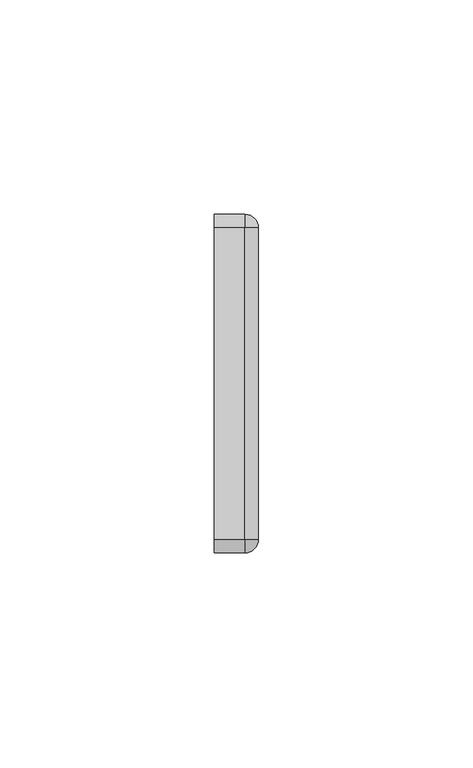
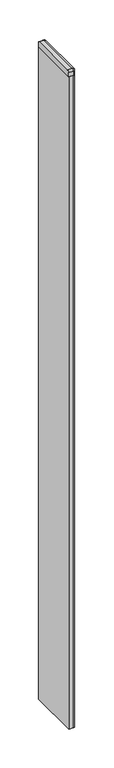
"""IFC4 building model written with IfcOpenShell, lengths in millimetres: furniture geometry."""

from ifc_helpers import new_model, si_unit, point, frame, frame_2d, origin, place, context, project, spatial, polyline, circle_curve, ellipse_curve, trimmed, segment, composite_curve, outline, extrude, source, transform, mapped, element, save
from ifc_brep_helpers import plane_surface, cylinder_surface, revolved_surface, advanced_brep


def furniture_0c85708f(model_context):
    return source(origin(), model_context, "Body", "SolidModel", [
        advanced_brep(
        [(6.1101987, -36.7238842, 1048.8025358), (6.1101987, -36.7238842, 1055.1525115), (2.9351984, -36.7238842, 1058.3037), (2.9351984, -36.7238842, 1048.8025358), (2.9351984, 35.8724944, 1058.3037), (6.1101987, 35.8724944, 1055.1525115), (6.1101987, 35.8724944, 1048.8025358), (2.9351984, 35.8724944, 1048.8025358), (2.9351984, -39.8988812, 1048.8025358), (-4.1768018, -39.8988812, 1048.8025358), (-4.1768018, 39.0474944, 1048.8025358), (2.9351984, 39.0474944, 1048.8025358), (-4.1768018, 35.8724944, 1058.3037), (-4.1768018, -36.7238842, 1058.3037), (-4.1768018, 39.0474944, 1055.1525115), (-4.1768018, -39.8988812, 1055.1525115), (2.9351984, 39.0474944, 1055.1525115), (2.9351984, -39.8988812, 1055.1525115)],
        [
            (0, 1),
            (1, 2, circle_curve(frame((2.958921, -36.7238842, 1055.1525115), z_axis=(0.0, -1.0, 0.0), x_axis=(-1.0, 0.0, 0.0)), 3.1512778)),
            (2, 3),
            (3, 0),
            (4, 5, circle_curve(frame((2.958921, 35.8724944, 1055.1525115), z_axis=(0.0, 1.0, 0.0), x_axis=(-1.0, 0.0, 0.0)), 3.1512778)),
            (5, 6),
            (6, 7),
            (7, 4),
            (6, 0),
            (3, 8),
            (8, 9),
            (9, 10),
            (10, 11),
            (11, 7),
            (5, 1),
            (4, 2),
            (4, 12),
            (12, 13),
            (13, 2),
            (12, 14, circle_curve(frame((-4.1768018, 35.8962166, 1055.1525115), z_axis=(-1.0, 0.0, 0.0), x_axis=(0.0, 1.0, 0.0)), 3.1512778)),
            (14, 10),
            (9, 15),
            (15, 13, circle_curve(frame((-4.1768018, -36.7476035, 1055.1525115), z_axis=(-1.0, 0.0, 0.0), x_axis=(0.0, 1.0, 0.0)), 3.1512777)),
            (11, 16),
            (16, 4, circle_curve(frame((2.9351984, 35.8962166, 1055.1525115), z_axis=(1.0, 0.0, 0.0), x_axis=(0.0, 1.0, 0.0)), 3.1512778)),
            (14, 16),
            (2, 17, circle_curve(frame((2.9351984, -36.7476035, 1055.1525115), z_axis=(1.0, 0.0, 0.0), x_axis=(0.0, 1.0, 0.0)), 3.1512777)),
            (17, 8),
            (17, 15),
        ],
        [
            plane_surface(frame((4.522698, -36.7238842, 1055.1525115), z_axis=(0.0, -1.0, 0.0), x_axis=(0.0, 0.0, 1.0))),
            plane_surface(frame((4.522698, 35.8724944, 1055.1525115), z_axis=(0.0, 1.0, 0.0), x_axis=(0.0, 0.0, 1.0))),
            plane_surface(frame((-4.1768018, -36.7238842, 1048.8025358), z_axis=(0.0, 0.0, -1.0), x_axis=(0.0, 1.0, 0.0))),
            plane_surface(frame((6.1101987, -36.7238842, 1048.8025358), z_axis=(1.0, 0.0, 0.0), x_axis=(0.0, 1.0, 0.0))),
            cylinder_surface(frame((2.958921, -36.7238842, 1055.1525115), z_axis=(0.0, -1.0, 0.0), x_axis=(-1.0, 0.0, 0.0)), 3.1512778),
            plane_surface(frame((2.9351984, -36.7238842, 1058.3037), z_axis=(0.0, 0.0, 1.0), x_axis=(0.0, 1.0, 0.0))),
            plane_surface(frame((-4.1768018, -36.7238842, 1058.3037), z_axis=(-1.0, 0.0, 0.0), x_axis=(0.0, 1.0, 0.0))),
            plane_surface(frame((2.9351984, 37.4599943, 1055.1525115), z_axis=(1.0, 0.0, 0.0), x_axis=(0.0, 0.0, 1.0))),
            plane_surface(frame((-4.1768018, 39.0474944, 1055.1525115), z_axis=(0.0, 1.0, 0.0), x_axis=(1.0, 0.0, 0.0))),
            cylinder_surface(frame((-4.1768018, 35.8962166, 1055.1525115), z_axis=(-1.0, 0.0, 0.0), x_axis=(0.0, 1.0, 0.0)), 3.1512778),
            plane_surface(frame((2.9351984, -38.3113782, 1055.1525115), z_axis=(1.0, 0.0, 0.0), x_axis=(0.0, 0.0, 1.0))),
            plane_surface(frame((-4.1768018, -39.8988812, 1048.8025358), z_axis=(0.0, -1.0, 0.0), x_axis=(1.0, 0.0, 0.0))),
            cylinder_surface(frame((-4.1768018, -36.7476035, 1055.1525115), z_axis=(-1.0, 0.0, 0.0), x_axis=(0.0, 1.0, 0.0)), 3.1512777),
        ],
        [
            (0, [[1, 2, 3, 4]]),
            (1, [[5, 6, 7, 8]]),
            (2, [[9, -4, 10, 11, 12, 13, 14, -7]]),
            (3, [[-1, -9, -6, 15]]),
            (4, [[-2, -15, -5, 16]]),
            (5, [[-16, 17, 18, 19]]),
            (6, [[-18, 20, 21, -12, 22, 23]]),
            (7, [[24, 25, -8, -14]]),
            (8, [[-21, 26, -24, -13]]),
            (9, [[-20, -17, -25, -26]]),
            (10, [[-10, -3, 27, 28]]),
            (11, [[-22, -11, -28, 29]]),
            (12, [[-23, -29, -27, -19]]),
        ],
    ),
        advanced_brep(
        [(2.9351984, 39.0474944, 1055.1525115), (2.9351984, 39.0474944, 1048.8025358), (2.9351984, 35.8724944, 1048.8025358), (2.9351984, 35.8724944, 1058.3037), (6.1101983, 35.8724944, 1055.1525115), (6.1101983, 35.8724944, 1048.8025358)],
        [
            (0, 1),
            (1, 2),
            (2, 3),
            (3, 0, circle_curve(frame((2.9351984, 35.8962166, 1055.1525115), z_axis=(-1.0, 0.0, 0.0), x_axis=(0.0, 1.0, 0.0)), 3.1512778)),
            (4, 3, circle_curve(frame((2.9589206, 35.8724944, 1055.1525115), z_axis=(0.0, -1.0, 0.0), x_axis=(1.0, 0.0, 0.0)), 3.1512778)),
            (2, 5),
            (5, 4),
            (5, 1, circle_curve(frame((2.9351984, 35.8724944, 1048.8025358), z_axis=(0.0, 0.0, 1.0), x_axis=(0.0, 1.0, 0.0)), 3.175)),
            (0, 4, circle_curve(frame((2.9351984, 35.8724944, 1055.1525115), z_axis=(0.0, 0.0, -1.0), x_axis=(0.0, 1.0, 0.0)), 3.175)),
        ],
        [
            plane_surface(frame((2.9351984, 35.8724944, 1055.1525115), z_axis=(-1.0, 0.0, 0.0), x_axis=(0.0, 1.0, 0.0))),
            plane_surface(frame((2.9351984, 35.8724944, 1055.1525115), z_axis=(0.0, -1.0, 0.0), x_axis=(1.0, 0.0, 0.0))),
            cylinder_surface(frame((2.9351984, 35.8724944, 1055.1525115), z_axis=(0.0, 0.0, -1.0), x_axis=(0.0, 1.0, 0.0)), 3.175),
            plane_surface(frame((2.9351984, 35.8724944, 1048.8025358), z_axis=(0.0, 0.0, -1.0), x_axis=(0.0, 1.0, 0.0))),
            revolved_surface(trimmed(ellipse_curve(frame((2.9351984, 35.8962166, 1055.1525115), z_axis=(-1.0, 0.0, 0.0), x_axis=(0.0, 1.0, 0.0)), 3.1512778, 3.1512778), [point((2.9351984, 35.8724944, 1058.3037))], [point((2.9351984, 39.0474944, 1055.1525115))], True, "CARTESIAN"), (2.9351984, 35.8724944, 1055.1525115), (0.0, 0.0, -1.0)),
        ],
        [
            (0, [[1, 2, 3, 4]]),
            (1, [[5, -3, 6, 7]]),
            (2, [[8, -1, 9, -7]]),
            (3, [[-2, -8, -6]]),
            (4, [[-9, -4, -5]]),
        ],
    ),
        advanced_brep(
        [(2.9351984, -39.8988812, 1055.1525115), (2.9351984, -36.7238842, 1058.3037), (2.9351984, -36.7238842, 1048.8025358), (2.9351984, -39.8988812, 1048.8025358), (6.1101953, -36.7238842, 1055.1525115), (6.1101953, -36.7238842, 1048.8025358)],
        [
            (0, 1, circle_curve(frame((2.9351984, -36.7476035, 1055.1525115), z_axis=(-1.0, 0.0, 0.0), x_axis=(0.0, -1.0, 0.0)), 3.1512777)),
            (1, 2),
            (2, 3),
            (3, 0),
            (4, 5),
            (5, 2),
            (1, 4, circle_curve(frame((2.9589176, -36.7238842, 1055.1525115), z_axis=(0.0, 1.0, 0.0), x_axis=(1.0, 0.0, 0.0)), 3.1512777)),
            (4, 0, circle_curve(frame((2.9351984, -36.7238842, 1055.1525115), z_axis=(0.0, 0.0, -1.0), x_axis=(0.0, -1.0, 0.0)), 3.174997)),
            (3, 5, circle_curve(frame((2.9351984, -36.7238842, 1048.8025358), z_axis=(0.0, 0.0, 1.0), x_axis=(0.0, -1.0, 0.0)), 3.174997)),
        ],
        [
            plane_surface(frame((2.9351984, -36.7238842, 1055.1525115), z_axis=(-1.0, 0.0, 0.0), x_axis=(0.0, -1.0, 0.0))),
            plane_surface(frame((2.9351984, -36.7238842, 1055.1525115), z_axis=(0.0, 1.0, 0.0), x_axis=(1.0, 0.0, 0.0))),
            cylinder_surface(frame((2.9351984, -36.7238842, 1055.1525115), z_axis=(0.0, 0.0, 1.0), x_axis=(0.0, -1.0, 0.0)), 3.174997),
            revolved_surface(trimmed(ellipse_curve(frame((2.9351984, -36.7476035, 1055.1525115), z_axis=(-1.0, 0.0, 0.0), x_axis=(0.0, -1.0, 0.0)), 3.1512777, 3.1512777), [point((2.9351984, -39.8988812, 1055.1525115))], [point((2.9351984, -36.7238842, 1058.3037))], True, "CARTESIAN"), (2.9351984, -36.7238842, 1055.1525115), (0.0, 0.0, 1.0)),
            plane_surface(frame((2.9351984, -36.7238842, 1048.8025358), z_axis=(0.0, 0.0, -1.0), x_axis=(0.0, -1.0, 0.0))),
        ],
        [
            (0, [[1, 2, 3, 4]]),
            (1, [[5, 6, -2, 7]]),
            (2, [[8, -4, 9, -5]]),
            (3, [[-1, -8, -7]]),
            (4, [[-9, -3, -6]]),
        ],
    ),
        extrude(outline(composite_curve([segment(trimmed(circle_curve(frame_2d((2.9351984, 35.8469786)), 2.8068158), [point((2.9351984, 38.6537944))], [point((5.7418982, 35.8724944))], False, "CARTESIAN"), True, "CONTINUOUS"), segment(polyline([(5.7418982, 35.8724944), (5.7418982, -36.7238842)]), True, "CONTINUOUS"), segment(trimmed(circle_curve(frame_2d((2.9351984, -36.7238808)), 2.8066998), [point((5.7418982, -36.7238842))], [point((2.9351984, -39.5305806))], False, "CARTESIAN"), True, "CONTINUOUS"), segment(polyline([(2.9351984, -39.5305806), (-3.7831018, -39.5305806), (-3.7831018, 38.6537944), (2.9351984, 38.6537944)]), True, "CONTINUOUS")], self_intersect=False)), frame((0.0, 0.0, 14.2875), z_axis=(0.0, 0.0, 1.0), x_axis=(1.0, 0.0, 0.0)), (0.0, 0.0, 1.0), 1034.5150358),
    ])


if __name__ == "__main__":
    model = new_model("IFC4")
    model_context = context("Model", 3, world=origin())
    ifc_project = project(units=[si_unit("LENGTHUNIT", "METRE", prefix="MILLI")], contexts=[model_context])
    site = spatial("IfcSite", under=ifc_project)
    building = spatial("IfcBuilding", under=site)
    placement = place(None, origin())
    furniture_shape = furniture_0c85708f(model_context)
    element("IfcFurniture", 1, at=placement, inside=building, context=model_context, shape_type="MappedRepresentation", body=[
        mapped(furniture_shape, transform((0.0, 0.0, 0.0), x_axis=(1.0, 0.0, 0.0), y_axis=(0.0, 1.0, 0.0), z_axis=(0.0, 0.0, 1.0))),
    ])
    save(model, "model.ifc")
